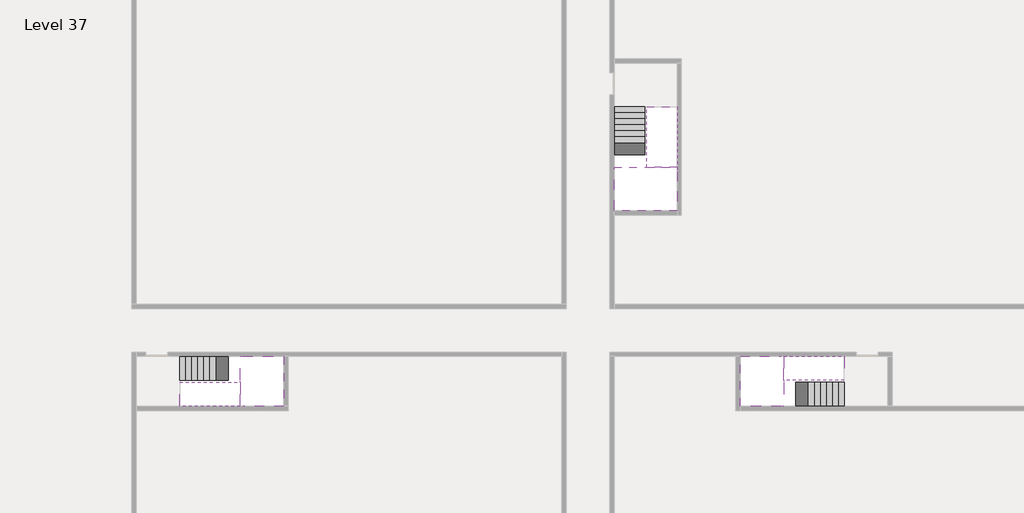
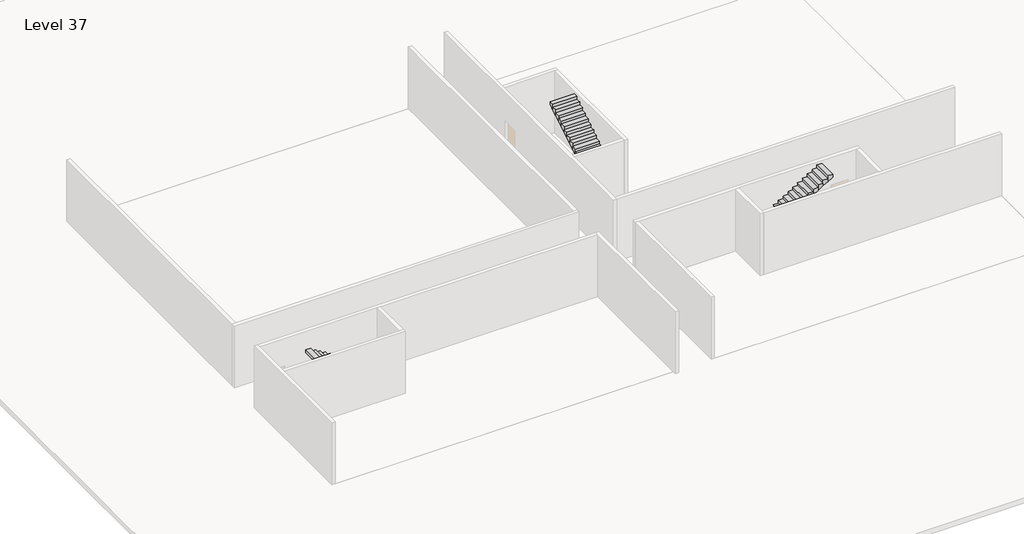
# One storey, part 2 of 2: 6 stair flights, 3 slabs.
"""IFC4 building model written with IfcOpenShell, lengths in millimetres."""

from ifc_helpers import new_model, si_unit, origin, place, context, project, spatial, faceted_brep, element, save

model = new_model("IFC4")

# Units and contexts
model_context = context("Model", 3, world=origin())
ifc_project = project(units=[si_unit("LENGTHUNIT", "METRE", prefix="MILLI")], contexts=[model_context])

# Site, building, storey
site = spatial("IfcSite", under=ifc_project)
building = spatial("IfcBuilding", under=site)
storey = spatial("IfcBuildingStorey", under=building, Name="Level 37", Elevation=136800.0)

# Slabs
placement = place(None, origin())
element("IfcSlab", 1, at=placement, inside=storey, context=model_context, shape_type="Brep", body=[
    faceted_brep([(8190.1058784, -42918.09644, 138700.0), (8190.1058784, -44018.09644, 138700.0), (8190.1058784, -44118.09644, 138700.0), (8190.1058784, -45218.09644, 138700.0), (8390.7194421, -45218.09644, 138700.0), (10190.1058784, -45218.09644, 138700.0), (10190.1058784, -42918.09644, 138700.0), (8269.4923146, -42918.09644, 138700.0), (8190.1058784, -42918.09644, 138527.2727273), (8190.1058784, -42918.09644, 138351.0278478), (8190.1058784, -44018.09644, 138351.0278478), (8190.1058784, -44018.09644, 138400.0), (8190.1058784, -44118.09644, 138400.0), (8190.1058784, -44118.09644, 138523.7551205), (8190.1058784, -45218.09644, 138523.7551205), (8390.7194421, -45218.09644, 138400.0), (10190.1058784, -45218.09644, 138400.0), (10190.1058784, -42918.09644, 138400.0), (8269.4923146, -42918.09644, 138400.0), (8390.7194421, -44118.09644, 138400.0), (8269.4923146, -44018.09644, 138400.0)], [[[0, 1, 2, 3, 4, 5, 6, 7]], [[1, 0, 8, 9, 10, 11]], [[2, 1, 11, 12, 13]], [[3, 2, 13, 14]], [[3, 14, 15, 16, 5, 4]], [[6, 5, 16, 17]], [[9, 8, 0, 7, 6, 17, 18]], [[19, 12, 11, 20, 18, 17, 16, 15]], [[12, 19, 13]], [[18, 20, 10, 9]], [[20, 11, 10]], [[19, 15, 14, 13]]]),
])
element("IfcSlab", 2, at=placement, inside=storey, context=model_context, shape_type="Brep", body=[
    faceted_brep([(33190.1058784, -45218.09644, 138700.0), (33190.1058784, -44118.09644, 138700.0), (33190.1058784, -44018.09644, 138700.0), (33190.1058784, -42918.09644, 138700.0), (32989.4923146, -42918.09644, 138700.0), (31190.1058784, -42918.09644, 138700.0), (31190.1058784, -45218.09644, 138700.0), (33110.7194421, -45218.09644, 138700.0), (33190.1058784, -45218.09644, 138527.2727273), (33190.1058784, -45218.09644, 138351.0278478), (33190.1058784, -44118.09644, 138351.0278478), (33190.1058784, -44118.09644, 138400.0), (33190.1058784, -44018.09644, 138400.0), (33190.1058784, -44018.09644, 138523.7551205), (33190.1058784, -42918.09644, 138523.7551205), (32989.4923146, -42918.09644, 138400.0), (31190.1058784, -42918.09644, 138400.0), (31190.1058784, -45218.09644, 138400.0), (33110.7194421, -45218.09644, 138400.0), (32989.4923146, -44018.09644, 138400.0), (33110.7194421, -44118.09644, 138400.0)], [[[0, 1, 2, 3, 4, 5, 6, 7]], [[1, 0, 8, 9, 10, 11]], [[2, 1, 11, 12, 13]], [[3, 2, 13, 14]], [[3, 14, 15, 16, 5, 4]], [[6, 5, 16, 17]], [[9, 8, 0, 7, 6, 17, 18]], [[19, 12, 11, 20, 18, 17, 16, 15]], [[12, 19, 13]], [[18, 20, 10, 9]], [[20, 11, 10]], [[19, 15, 14, 13]]]),
])
element("IfcSlab", 3, at=placement, inside=storey, context=model_context, shape_type="Brep", body=[
    faceted_brep([(26790.1058784, -34218.09644, 138700.0), (25390.1058784, -34218.09644, 138700.0), (25390.1058784, -34297.4828763, 138700.0), (25390.1058784, -36218.09644, 138700.0), (28290.1058784, -36218.09644, 138700.0), (28290.1058784, -34418.7100038, 138700.0), (28290.1058784, -34218.09644, 138700.0), (26890.1058784, -34218.09644, 138700.0), (26790.1058784, -34218.09644, 138400.0), (26790.1058784, -34218.09644, 138351.0278478), (25390.1058784, -34218.09644, 138351.0278478), (25390.1058784, -34218.09644, 138527.2727273), (25390.1058784, -34297.4828763, 138400.0), (25390.1058784, -36218.09644, 138400.0), (28290.1058784, -36218.09644, 138400.0), (28290.1058784, -34418.7100038, 138400.0), (28290.1058784, -34218.09644, 138523.7551205), (26890.1058784, -34218.09644, 138523.7551205), (26890.1058784, -34218.09644, 138400.0), (26890.1058784, -34418.7100038, 138400.0), (26790.1058784, -34297.4828763, 138400.0)], [[[0, 1, 2, 3, 4, 5, 6, 7]], [[1, 0, 8, 9, 10, 11]], [[1, 11, 10, 12, 13, 3, 2]], [[4, 3, 13, 14]], [[4, 14, 15, 16, 6, 5]], [[7, 6, 16, 17]], [[0, 7, 17, 18, 8]], [[18, 19, 15, 14, 13, 12, 20, 8]], [[19, 18, 17]], [[20, 12, 10, 9]], [[8, 20, 9]], [[15, 19, 17, 16]]]),
])

# Stair flights
element("IfcStairFlight", 4, at=placement, inside=storey, context=model_context, shape_type="Brep", body=[
    faceted_brep([(5670.1058784, -42918.09644, 136972.7272727), (5390.1058784, -42918.09644, 136972.7272727), (5390.1058784, -44018.09644, 136972.7272727), (5670.1058784, -44018.09644, 136972.7272727), (5670.1058784, -42918.09644, 136800.0), (5390.1058784, -42918.09644, 136800.0), (5390.1058784, -44018.09644, 136800.0), (5670.1058784, -44018.09644, 136800.0), (5950.1058784, -42918.09644, 137145.4545455), (5670.1058784, -42918.09644, 137145.4545455), (5670.1058784, -44018.09644, 137145.4545455), (5950.1058784, -44018.09644, 137145.4545455), (5950.1058784, -42918.09644, 136969.209666), (5675.8081041, -42918.09644, 136800.0), (5675.8081041, -44018.09644, 136800.0), (5950.1058784, -44018.09644, 136969.209666), (6230.1058784, -42918.09644, 137318.1818182), (5950.1058784, -42918.09644, 137318.1818182), (5950.1058784, -44018.09644, 137318.1818182), (6230.1058784, -44018.09644, 137318.1818182), (6230.1058784, -42918.09644, 137141.9369387), (6230.1058784, -44018.09644, 137141.9369387), (6510.1058784, -42918.09644, 137490.9090909), (6230.1058784, -42918.09644, 137490.9090909), (6230.1058784, -44018.09644, 137490.9090909), (6510.1058784, -44018.09644, 137490.9090909), (6510.1058784, -42918.09644, 137314.6642114), (6510.1058784, -44018.09644, 137314.6642114), (6790.1058784, -42918.09644, 137663.6363636), (6510.1058784, -42918.09644, 137663.6363636), (6510.1058784, -44018.09644, 137663.6363636), (6790.1058784, -44018.09644, 137663.6363636), (6790.1058784, -42918.09644, 137487.3914841), (6790.1058784, -44018.09644, 137487.3914841), (7070.1058784, -42918.09644, 137836.3636364), (6790.1058784, -42918.09644, 137836.3636364), (6790.1058784, -44018.09644, 137836.3636364), (7070.1058784, -44018.09644, 137836.3636364), (7070.1058784, -42918.09644, 137660.1187569), (7070.1058784, -44018.09644, 137660.1187569), (7350.1058784, -42918.09644, 138009.0909091), (7070.1058784, -42918.09644, 138009.0909091), (7070.1058784, -44018.09644, 138009.0909091), (7350.1058784, -44018.09644, 138009.0909091), (7350.1058784, -42918.09644, 137832.8460296), (7350.1058784, -44018.09644, 137832.8460296), (7630.1058784, -42918.09644, 138181.8181818), (7350.1058784, -42918.09644, 138181.8181818), (7350.1058784, -44018.09644, 138181.8181818), (7630.1058784, -44018.09644, 138181.8181818), (7630.1058784, -42918.09644, 138005.5733023), (7630.1058784, -44018.09644, 138005.5733023), (7910.1058784, -42918.09644, 138354.5454545), (7630.1058784, -42918.09644, 138354.5454545), (7630.1058784, -44018.09644, 138354.5454545), (7910.1058784, -44018.09644, 138354.5454545), (7910.1058784, -42918.09644, 138178.3005751), (7910.1058784, -44018.09644, 138178.3005751), (8190.1058784, -42918.09644, 138527.2727273), (7910.1058784, -42918.09644, 138527.2727273), (7910.1058784, -44018.09644, 138527.2727273), (8190.1058784, -44018.09644, 138527.2727273), (8190.1058784, -42918.09644, 138351.0278478), (8190.1058784, -44018.09644, 138351.0278478), (8190.1058784, -44018.09644, 138400.0)], [[[0, 1, 2, 3]], [[1, 0, 4, 5]], [[2, 1, 5, 6]], [[3, 2, 6, 7]], [[8, 9, 10, 11]], [[4, 0, 9, 8, 12, 13]], [[0, 3, 10, 9]], [[3, 7, 14, 15, 11, 10]], [[16, 17, 18, 19]], [[17, 16, 20, 12, 8]], [[8, 11, 18, 17]], [[19, 18, 11, 15, 21]], [[22, 23, 24, 25]], [[23, 22, 26, 20, 16]], [[16, 19, 24, 23]], [[25, 24, 19, 21, 27]], [[28, 29, 30, 31]], [[29, 28, 32, 26, 22]], [[22, 25, 30, 29]], [[31, 30, 25, 27, 33]], [[34, 35, 36, 37]], [[35, 34, 38, 32, 28]], [[28, 31, 36, 35]], [[37, 36, 31, 33, 39]], [[40, 41, 42, 43]], [[41, 40, 44, 38, 34]], [[34, 37, 42, 41]], [[43, 42, 37, 39, 45]], [[46, 47, 48, 49]], [[47, 46, 50, 44, 40]], [[40, 43, 48, 47]], [[49, 48, 43, 45, 51]], [[52, 53, 54, 55]], [[53, 52, 56, 50, 46]], [[46, 49, 54, 53]], [[55, 54, 49, 51, 57]], [[58, 59, 60, 61]], [[59, 58, 62, 56, 52]], [[52, 55, 60, 59]], [[61, 60, 55, 57, 63, 64]], [[58, 61, 64, 63, 62]], [[5, 4, 13, 14, 7, 6]], [[14, 13, 12, 20, 26, 32, 38, 44, 50, 56, 62, 63, 57, 51, 45, 39, 33, 27, 21, 15]]]),
])
element("IfcStairFlight", 5, at=placement, inside=storey, context=model_context, shape_type="Brep", body=[
    faceted_brep([(7910.1058784, -45218.09644, 138872.7272727), (8190.1058784, -45218.09644, 138872.7272727), (8190.1058784, -44118.09644, 138872.7272727), (7910.1058784, -44118.09644, 138872.7272727), (7910.1058784, -45218.09644, 138696.4823932), (8190.1058784, -45218.09644, 138523.7551205), (8190.1058784, -45218.09644, 138700.0), (8190.1058784, -44118.09644, 138523.7551205), (7910.1058784, -44118.09644, 138696.4823932), (7630.1058784, -45218.09644, 139045.4545455), (7910.1058784, -45218.09644, 139045.4545455), (7910.1058784, -44118.09644, 139045.4545455), (7630.1058784, -44118.09644, 139045.4545455), (7630.1058784, -45218.09644, 138869.209666), (7630.1058784, -44118.09644, 138869.209666), (7350.1058784, -45218.09644, 139218.1818182), (7630.1058784, -45218.09644, 139218.1818182), (7630.1058784, -44118.09644, 139218.1818182), (7350.1058784, -44118.09644, 139218.1818182), (7350.1058784, -45218.09644, 139041.9369387), (7350.1058784, -44118.09644, 139041.9369387), (7070.1058784, -45218.09644, 139390.9090909), (7350.1058784, -45218.09644, 139390.9090909), (7350.1058784, -44118.09644, 139390.9090909), (7070.1058784, -44118.09644, 139390.9090909), (7070.1058784, -45218.09644, 139214.6642114), (7070.1058784, -44118.09644, 139214.6642114), (6790.1058784, -45218.09644, 139563.6363636), (7070.1058784, -45218.09644, 139563.6363636), (7070.1058784, -44118.09644, 139563.6363636), (6790.1058784, -44118.09644, 139563.6363636), (6790.1058784, -45218.09644, 139387.3914841), (6790.1058784, -44118.09644, 139387.3914841), (6510.1058784, -45218.09644, 139736.3636364), (6790.1058784, -45218.09644, 139736.3636364), (6790.1058784, -44118.09644, 139736.3636364), (6510.1058784, -44118.09644, 139736.3636364), (6510.1058784, -45218.09644, 139560.1187569), (6510.1058784, -44118.09644, 139560.1187569), (6230.1058784, -45218.09644, 139909.0909091), (6510.1058784, -45218.09644, 139909.0909091), (6510.1058784, -44118.09644, 139909.0909091), (6230.1058784, -44118.09644, 139909.0909091), (6230.1058784, -45218.09644, 139732.8460296), (6230.1058784, -44118.09644, 139732.8460296), (5950.1058784, -45218.09644, 140081.8181818), (6230.1058784, -45218.09644, 140081.8181818), (6230.1058784, -44118.09644, 140081.8181818), (5950.1058784, -44118.09644, 140081.8181818), (5950.1058784, -45218.09644, 139905.5733023), (5950.1058784, -44118.09644, 139905.5733023), (5670.1058784, -45218.09644, 140254.5454545), (5950.1058784, -45218.09644, 140254.5454545), (5950.1058784, -44118.09644, 140254.5454545), (5670.1058784, -44118.09644, 140254.5454545), (5670.1058784, -45218.09644, 140078.3005751), (5670.1058784, -44118.09644, 140078.3005751), (5390.1058784, -45218.09644, 140427.2727273), (5670.1058784, -45218.09644, 140427.2727273), (5670.1058784, -44118.09644, 140427.2727273), (5390.1058784, -44118.09644, 140427.2727273), (5390.1058784, -45218.09644, 140251.0278478), (5390.1058784, -44118.09644, 140251.0278478)], [[[0, 1, 2, 3]], [[1, 0, 4, 5, 6]], [[2, 1, 6, 5, 7]], [[3, 2, 7, 8]], [[9, 10, 11, 12]], [[10, 9, 13, 4, 0]], [[11, 10, 0, 3]], [[12, 11, 3, 8, 14]], [[15, 16, 17, 18]], [[16, 15, 19, 13, 9]], [[17, 16, 9, 12]], [[18, 17, 12, 14, 20]], [[21, 22, 23, 24]], [[22, 21, 25, 19, 15]], [[23, 22, 15, 18]], [[24, 23, 18, 20, 26]], [[27, 28, 29, 30]], [[28, 27, 31, 25, 21]], [[29, 28, 21, 24]], [[30, 29, 24, 26, 32]], [[33, 34, 35, 36]], [[34, 33, 37, 31, 27]], [[35, 34, 27, 30]], [[36, 35, 30, 32, 38]], [[39, 40, 41, 42]], [[40, 39, 43, 37, 33]], [[41, 40, 33, 36]], [[42, 41, 36, 38, 44]], [[45, 46, 47, 48]], [[46, 45, 49, 43, 39]], [[47, 46, 39, 42]], [[48, 47, 42, 44, 50]], [[51, 52, 53, 54]], [[52, 51, 55, 49, 45]], [[53, 52, 45, 48]], [[54, 53, 48, 50, 56]], [[57, 58, 59, 60]], [[58, 57, 61, 55, 51]], [[59, 58, 51, 54]], [[60, 59, 54, 56, 62]], [[57, 60, 62, 61]], [[5, 4, 13, 19, 25, 31, 37, 43, 49, 55, 61, 62, 56, 50, 44, 38, 32, 26, 20, 14, 8, 7]]]),
])
element("IfcStairFlight", 6, at=placement, inside=storey, context=model_context, shape_type="Brep", body=[
    faceted_brep([(35710.1058784, -45218.09644, 136972.7272727), (35990.1058784, -45218.09644, 136972.7272727), (35990.1058784, -44118.09644, 136972.7272727), (35710.1058784, -44118.09644, 136972.7272727), (35710.1058784, -45218.09644, 136800.0), (35990.1058784, -45218.09644, 136800.0), (35990.1058784, -44118.09644, 136800.0), (35710.1058784, -44118.09644, 136800.0), (35430.1058784, -45218.09644, 137145.4545455), (35710.1058784, -45218.09644, 137145.4545455), (35710.1058784, -44118.09644, 137145.4545455), (35430.1058784, -44118.09644, 137145.4545455), (35430.1058784, -45218.09644, 136969.209666), (35704.4036527, -45218.09644, 136800.0), (35704.4036527, -44118.09644, 136800.0), (35430.1058784, -44118.09644, 136969.209666), (35150.1058784, -45218.09644, 137318.1818182), (35430.1058784, -45218.09644, 137318.1818182), (35430.1058784, -44118.09644, 137318.1818182), (35150.1058784, -44118.09644, 137318.1818182), (35150.1058784, -45218.09644, 137141.9369387), (35150.1058784, -44118.09644, 137141.9369387), (34870.1058784, -45218.09644, 137490.9090909), (35150.1058784, -45218.09644, 137490.9090909), (35150.1058784, -44118.09644, 137490.9090909), (34870.1058784, -44118.09644, 137490.9090909), (34870.1058784, -45218.09644, 137314.6642114), (34870.1058784, -44118.09644, 137314.6642114), (34590.1058784, -45218.09644, 137663.6363636), (34870.1058784, -45218.09644, 137663.6363636), (34870.1058784, -44118.09644, 137663.6363636), (34590.1058784, -44118.09644, 137663.6363636), (34590.1058784, -45218.09644, 137487.3914841), (34590.1058784, -44118.09644, 137487.3914841), (34310.1058784, -45218.09644, 137836.3636364), (34590.1058784, -45218.09644, 137836.3636364), (34590.1058784, -44118.09644, 137836.3636364), (34310.1058784, -44118.09644, 137836.3636364), (34310.1058784, -45218.09644, 137660.1187569), (34310.1058784, -44118.09644, 137660.1187569), (34030.1058784, -45218.09644, 138009.0909091), (34310.1058784, -45218.09644, 138009.0909091), (34310.1058784, -44118.09644, 138009.0909091), (34030.1058784, -44118.09644, 138009.0909091), (34030.1058784, -45218.09644, 137832.8460296), (34030.1058784, -44118.09644, 137832.8460296), (33750.1058784, -45218.09644, 138181.8181818), (34030.1058784, -45218.09644, 138181.8181818), (34030.1058784, -44118.09644, 138181.8181818), (33750.1058784, -44118.09644, 138181.8181818), (33750.1058784, -45218.09644, 138005.5733023), (33750.1058784, -44118.09644, 138005.5733023), (33470.1058784, -45218.09644, 138354.5454545), (33750.1058784, -45218.09644, 138354.5454545), (33750.1058784, -44118.09644, 138354.5454545), (33470.1058784, -44118.09644, 138354.5454545), (33470.1058784, -45218.09644, 138178.3005751), (33470.1058784, -44118.09644, 138178.3005751), (33190.1058784, -45218.09644, 138527.2727273), (33470.1058784, -45218.09644, 138527.2727273), (33470.1058784, -44118.09644, 138527.2727273), (33190.1058784, -44118.09644, 138527.2727273), (33190.1058784, -45218.09644, 138351.0278478), (33190.1058784, -44118.09644, 138351.0278478), (33190.1058784, -44118.09644, 138400.0)], [[[0, 1, 2, 3]], [[1, 0, 4, 5]], [[2, 1, 5, 6]], [[3, 2, 6, 7]], [[8, 9, 10, 11]], [[4, 0, 9, 8, 12, 13]], [[0, 3, 10, 9]], [[3, 7, 14, 15, 11, 10]], [[16, 17, 18, 19]], [[17, 16, 20, 12, 8]], [[8, 11, 18, 17]], [[19, 18, 11, 15, 21]], [[22, 23, 24, 25]], [[23, 22, 26, 20, 16]], [[16, 19, 24, 23]], [[25, 24, 19, 21, 27]], [[28, 29, 30, 31]], [[29, 28, 32, 26, 22]], [[22, 25, 30, 29]], [[31, 30, 25, 27, 33]], [[34, 35, 36, 37]], [[35, 34, 38, 32, 28]], [[28, 31, 36, 35]], [[37, 36, 31, 33, 39]], [[40, 41, 42, 43]], [[41, 40, 44, 38, 34]], [[34, 37, 42, 41]], [[43, 42, 37, 39, 45]], [[46, 47, 48, 49]], [[47, 46, 50, 44, 40]], [[40, 43, 48, 47]], [[49, 48, 43, 45, 51]], [[52, 53, 54, 55]], [[53, 52, 56, 50, 46]], [[46, 49, 54, 53]], [[55, 54, 49, 51, 57]], [[58, 59, 60, 61]], [[59, 58, 62, 56, 52]], [[52, 55, 60, 59]], [[61, 60, 55, 57, 63, 64]], [[58, 61, 64, 63, 62]], [[5, 4, 13, 14, 7, 6]], [[14, 13, 12, 20, 26, 32, 38, 44, 50, 56, 62, 63, 57, 51, 45, 39, 33, 27, 21, 15]]]),
])
element("IfcStairFlight", 7, at=placement, inside=storey, context=model_context, shape_type="Brep", body=[
    faceted_brep([(33470.1058784, -42918.09644, 138872.7272727), (33190.1058784, -42918.09644, 138872.7272727), (33190.1058784, -44018.09644, 138872.7272727), (33470.1058784, -44018.09644, 138872.7272727), (33470.1058784, -42918.09644, 138696.4823932), (33190.1058784, -42918.09644, 138523.7551205), (33190.1058784, -42918.09644, 138700.0), (33190.1058784, -44018.09644, 138523.7551205), (33470.1058784, -44018.09644, 138696.4823932), (33750.1058784, -42918.09644, 139045.4545455), (33470.1058784, -42918.09644, 139045.4545455), (33470.1058784, -44018.09644, 139045.4545455), (33750.1058784, -44018.09644, 139045.4545455), (33750.1058784, -42918.09644, 138869.209666), (33750.1058784, -44018.09644, 138869.209666), (34030.1058784, -42918.09644, 139218.1818182), (33750.1058784, -42918.09644, 139218.1818182), (33750.1058784, -44018.09644, 139218.1818182), (34030.1058784, -44018.09644, 139218.1818182), (34030.1058784, -42918.09644, 139041.9369387), (34030.1058784, -44018.09644, 139041.9369387), (34310.1058784, -42918.09644, 139390.9090909), (34030.1058784, -42918.09644, 139390.9090909), (34030.1058784, -44018.09644, 139390.9090909), (34310.1058784, -44018.09644, 139390.9090909), (34310.1058784, -42918.09644, 139214.6642114), (34310.1058784, -44018.09644, 139214.6642114), (34590.1058784, -42918.09644, 139563.6363636), (34310.1058784, -42918.09644, 139563.6363636), (34310.1058784, -44018.09644, 139563.6363636), (34590.1058784, -44018.09644, 139563.6363636), (34590.1058784, -42918.09644, 139387.3914841), (34590.1058784, -44018.09644, 139387.3914841), (34870.1058784, -42918.09644, 139736.3636364), (34590.1058784, -42918.09644, 139736.3636364), (34590.1058784, -44018.09644, 139736.3636364), (34870.1058784, -44018.09644, 139736.3636364), (34870.1058784, -42918.09644, 139560.1187569), (34870.1058784, -44018.09644, 139560.1187569), (35150.1058784, -42918.09644, 139909.0909091), (34870.1058784, -42918.09644, 139909.0909091), (34870.1058784, -44018.09644, 139909.0909091), (35150.1058784, -44018.09644, 139909.0909091), (35150.1058784, -42918.09644, 139732.8460296), (35150.1058784, -44018.09644, 139732.8460296), (35430.1058784, -42918.09644, 140081.8181818), (35150.1058784, -42918.09644, 140081.8181818), (35150.1058784, -44018.09644, 140081.8181818), (35430.1058784, -44018.09644, 140081.8181818), (35430.1058784, -42918.09644, 139905.5733023), (35430.1058784, -44018.09644, 139905.5733023), (35710.1058784, -42918.09644, 140254.5454545), (35430.1058784, -42918.09644, 140254.5454545), (35430.1058784, -44018.09644, 140254.5454545), (35710.1058784, -44018.09644, 140254.5454545), (35710.1058784, -42918.09644, 140078.3005751), (35710.1058784, -44018.09644, 140078.3005751), (35990.1058784, -42918.09644, 140427.2727273), (35710.1058784, -42918.09644, 140427.2727273), (35710.1058784, -44018.09644, 140427.2727273), (35990.1058784, -44018.09644, 140427.2727273), (35990.1058784, -42918.09644, 140251.0278478), (35990.1058784, -44018.09644, 140251.0278478)], [[[0, 1, 2, 3]], [[1, 0, 4, 5, 6]], [[2, 1, 6, 5, 7]], [[3, 2, 7, 8]], [[9, 10, 11, 12]], [[10, 9, 13, 4, 0]], [[11, 10, 0, 3]], [[12, 11, 3, 8, 14]], [[15, 16, 17, 18]], [[16, 15, 19, 13, 9]], [[17, 16, 9, 12]], [[18, 17, 12, 14, 20]], [[21, 22, 23, 24]], [[22, 21, 25, 19, 15]], [[23, 22, 15, 18]], [[24, 23, 18, 20, 26]], [[27, 28, 29, 30]], [[28, 27, 31, 25, 21]], [[29, 28, 21, 24]], [[30, 29, 24, 26, 32]], [[33, 34, 35, 36]], [[34, 33, 37, 31, 27]], [[35, 34, 27, 30]], [[36, 35, 30, 32, 38]], [[39, 40, 41, 42]], [[40, 39, 43, 37, 33]], [[41, 40, 33, 36]], [[42, 41, 36, 38, 44]], [[45, 46, 47, 48]], [[46, 45, 49, 43, 39]], [[47, 46, 39, 42]], [[48, 47, 42, 44, 50]], [[51, 52, 53, 54]], [[52, 51, 55, 49, 45]], [[53, 52, 45, 48]], [[54, 53, 48, 50, 56]], [[57, 58, 59, 60]], [[58, 57, 61, 55, 51]], [[59, 58, 51, 54]], [[60, 59, 54, 56, 62]], [[57, 60, 62, 61]], [[5, 4, 13, 19, 25, 31, 37, 43, 49, 55, 61, 62, 56, 50, 44, 38, 32, 26, 20, 14, 8, 7]]]),
])
element("IfcStairFlight", 8, at=placement, inside=storey, context=model_context, shape_type="Brep", body=[
    faceted_brep([(26790.1058784, -31698.09644, 136972.7272727), (26790.1058784, -31418.09644, 136972.7272727), (25390.1058784, -31418.09644, 136972.7272727), (25390.1058784, -31698.09644, 136972.7272727), (26790.1058784, -31698.09644, 136800.0), (26790.1058784, -31418.09644, 136800.0), (25390.1058784, -31418.09644, 136800.0), (25390.1058784, -31698.09644, 136800.0), (26790.1058784, -31978.09644, 137145.4545455), (26790.1058784, -31698.09644, 137145.4545455), (25390.1058784, -31698.09644, 137145.4545455), (25390.1058784, -31978.09644, 137145.4545455), (26790.1058784, -31978.09644, 136969.209666), (26790.1058784, -31703.7986657, 136800.0), (25390.1058784, -31703.7986657, 136800.0), (25390.1058784, -31978.09644, 136969.209666), (26790.1058784, -32258.09644, 137318.1818182), (26790.1058784, -31978.09644, 137318.1818182), (25390.1058784, -31978.09644, 137318.1818182), (25390.1058784, -32258.09644, 137318.1818182), (26790.1058784, -32258.09644, 137141.9369387), (25390.1058784, -32258.09644, 137141.9369387), (26790.1058784, -32538.09644, 137490.9090909), (26790.1058784, -32258.09644, 137490.9090909), (25390.1058784, -32258.09644, 137490.9090909), (25390.1058784, -32538.09644, 137490.9090909), (26790.1058784, -32538.09644, 137314.6642114), (25390.1058784, -32538.09644, 137314.6642114), (26790.1058784, -32818.09644, 137663.6363636), (26790.1058784, -32538.09644, 137663.6363636), (25390.1058784, -32538.09644, 137663.6363636), (25390.1058784, -32818.09644, 137663.6363636), (26790.1058784, -32818.09644, 137487.3914841), (25390.1058784, -32818.09644, 137487.3914841), (26790.1058784, -33098.09644, 137836.3636364), (26790.1058784, -32818.09644, 137836.3636364), (25390.1058784, -32818.09644, 137836.3636364), (25390.1058784, -33098.09644, 137836.3636364), (26790.1058784, -33098.09644, 137660.1187569), (25390.1058784, -33098.09644, 137660.1187569), (26790.1058784, -33378.09644, 138009.0909091), (26790.1058784, -33098.09644, 138009.0909091), (25390.1058784, -33098.09644, 138009.0909091), (25390.1058784, -33378.09644, 138009.0909091), (26790.1058784, -33378.09644, 137832.8460296), (25390.1058784, -33378.09644, 137832.8460296), (26790.1058784, -33658.09644, 138181.8181818), (26790.1058784, -33378.09644, 138181.8181818), (25390.1058784, -33378.09644, 138181.8181818), (25390.1058784, -33658.09644, 138181.8181818), (26790.1058784, -33658.09644, 138005.5733023), (25390.1058784, -33658.09644, 138005.5733023), (26790.1058784, -33938.09644, 138354.5454545), (26790.1058784, -33658.09644, 138354.5454545), (25390.1058784, -33658.09644, 138354.5454545), (25390.1058784, -33938.09644, 138354.5454545), (26790.1058784, -33938.09644, 138178.3005751), (25390.1058784, -33938.09644, 138178.3005751), (26790.1058784, -34218.09644, 138527.2727273), (26790.1058784, -33938.09644, 138527.2727273), (25390.1058784, -33938.09644, 138527.2727273), (25390.1058784, -34218.09644, 138527.2727273), (26790.1058784, -34218.09644, 138400.0), (26790.1058784, -34218.09644, 138351.0278478), (25390.1058784, -34218.09644, 138351.0278478)], [[[0, 1, 2, 3]], [[1, 0, 4, 5]], [[2, 1, 5, 6]], [[3, 2, 6, 7]], [[8, 9, 10, 11]], [[4, 0, 9, 8, 12, 13]], [[0, 3, 10, 9]], [[3, 7, 14, 15, 11, 10]], [[16, 17, 18, 19]], [[17, 16, 20, 12, 8]], [[8, 11, 18, 17]], [[19, 18, 11, 15, 21]], [[22, 23, 24, 25]], [[23, 22, 26, 20, 16]], [[16, 19, 24, 23]], [[25, 24, 19, 21, 27]], [[28, 29, 30, 31]], [[29, 28, 32, 26, 22]], [[22, 25, 30, 29]], [[31, 30, 25, 27, 33]], [[34, 35, 36, 37]], [[35, 34, 38, 32, 28]], [[28, 31, 36, 35]], [[37, 36, 31, 33, 39]], [[40, 41, 42, 43]], [[41, 40, 44, 38, 34]], [[34, 37, 42, 41]], [[43, 42, 37, 39, 45]], [[46, 47, 48, 49]], [[47, 46, 50, 44, 40]], [[40, 43, 48, 47]], [[49, 48, 43, 45, 51]], [[52, 53, 54, 55]], [[53, 52, 56, 50, 46]], [[46, 49, 54, 53]], [[55, 54, 49, 51, 57]], [[58, 59, 60, 61]], [[59, 58, 62, 63, 56, 52]], [[52, 55, 60, 59]], [[61, 60, 55, 57, 64]], [[58, 61, 64, 63, 62]], [[5, 4, 13, 14, 7, 6]], [[14, 13, 12, 20, 26, 32, 38, 44, 50, 56, 63, 64, 57, 51, 45, 39, 33, 27, 21, 15]]]),
])
element("IfcStairFlight", 9, at=placement, inside=storey, context=model_context, shape_type="Brep", body=[
    faceted_brep([(26890.1058784, -33938.09644, 138872.7272727), (26890.1058784, -34218.09644, 138872.7272727), (28290.1058784, -34218.09644, 138872.7272727), (28290.1058784, -33938.09644, 138872.7272727), (26890.1058784, -33938.09644, 138696.4823932), (26890.1058784, -34218.09644, 138523.7551205), (28290.1058784, -34218.09644, 138523.7551205), (28290.1058784, -34218.09644, 138700.0), (28290.1058784, -33938.09644, 138696.4823932), (26890.1058784, -33658.09644, 139045.4545455), (26890.1058784, -33938.09644, 139045.4545455), (28290.1058784, -33938.09644, 139045.4545455), (28290.1058784, -33658.09644, 139045.4545455), (26890.1058784, -33658.09644, 138869.209666), (28290.1058784, -33658.09644, 138869.209666), (26890.1058784, -33378.09644, 139218.1818182), (26890.1058784, -33658.09644, 139218.1818182), (28290.1058784, -33658.09644, 139218.1818182), (28290.1058784, -33378.09644, 139218.1818182), (26890.1058784, -33378.09644, 139041.9369387), (28290.1058784, -33378.09644, 139041.9369387), (26890.1058784, -33098.09644, 139390.9090909), (26890.1058784, -33378.09644, 139390.9090909), (28290.1058784, -33378.09644, 139390.9090909), (28290.1058784, -33098.09644, 139390.9090909), (26890.1058784, -33098.09644, 139214.6642114), (28290.1058784, -33098.09644, 139214.6642114), (26890.1058784, -32818.09644, 139563.6363636), (26890.1058784, -33098.09644, 139563.6363636), (28290.1058784, -33098.09644, 139563.6363636), (28290.1058784, -32818.09644, 139563.6363636), (26890.1058784, -32818.09644, 139387.3914841), (28290.1058784, -32818.09644, 139387.3914841), (26890.1058784, -32538.09644, 139736.3636364), (26890.1058784, -32818.09644, 139736.3636364), (28290.1058784, -32818.09644, 139736.3636364), (28290.1058784, -32538.09644, 139736.3636364), (26890.1058784, -32538.09644, 139560.1187569), (28290.1058784, -32538.09644, 139560.1187569), (26890.1058784, -32258.09644, 139909.0909091), (26890.1058784, -32538.09644, 139909.0909091), (28290.1058784, -32538.09644, 139909.0909091), (28290.1058784, -32258.09644, 139909.0909091), (26890.1058784, -32258.09644, 139732.8460296), (28290.1058784, -32258.09644, 139732.8460296), (26890.1058784, -31978.09644, 140081.8181818), (26890.1058784, -32258.09644, 140081.8181818), (28290.1058784, -32258.09644, 140081.8181818), (28290.1058784, -31978.09644, 140081.8181818), (26890.1058784, -31978.09644, 139905.5733023), (28290.1058784, -31978.09644, 139905.5733023), (26890.1058784, -31698.09644, 140254.5454545), (26890.1058784, -31978.09644, 140254.5454545), (28290.1058784, -31978.09644, 140254.5454545), (28290.1058784, -31698.09644, 140254.5454545), (26890.1058784, -31698.09644, 140078.3005751), (28290.1058784, -31698.09644, 140078.3005751), (26890.1058784, -31418.09644, 140427.2727273), (26890.1058784, -31698.09644, 140427.2727273), (28290.1058784, -31698.09644, 140427.2727273), (28290.1058784, -31418.09644, 140427.2727273), (26890.1058784, -31418.09644, 140251.0278478), (28290.1058784, -31418.09644, 140251.0278478)], [[[0, 1, 2, 3]], [[1, 0, 4, 5]], [[2, 1, 5, 6, 7]], [[3, 2, 7, 6, 8]], [[9, 10, 11, 12]], [[10, 9, 13, 4, 0]], [[11, 10, 0, 3]], [[12, 11, 3, 8, 14]], [[15, 16, 17, 18]], [[16, 15, 19, 13, 9]], [[17, 16, 9, 12]], [[18, 17, 12, 14, 20]], [[21, 22, 23, 24]], [[22, 21, 25, 19, 15]], [[23, 22, 15, 18]], [[24, 23, 18, 20, 26]], [[27, 28, 29, 30]], [[28, 27, 31, 25, 21]], [[29, 28, 21, 24]], [[30, 29, 24, 26, 32]], [[33, 34, 35, 36]], [[34, 33, 37, 31, 27]], [[35, 34, 27, 30]], [[36, 35, 30, 32, 38]], [[39, 40, 41, 42]], [[40, 39, 43, 37, 33]], [[41, 40, 33, 36]], [[42, 41, 36, 38, 44]], [[45, 46, 47, 48]], [[46, 45, 49, 43, 39]], [[47, 46, 39, 42]], [[48, 47, 42, 44, 50]], [[51, 52, 53, 54]], [[52, 51, 55, 49, 45]], [[53, 52, 45, 48]], [[54, 53, 48, 50, 56]], [[57, 58, 59, 60]], [[58, 57, 61, 55, 51]], [[59, 58, 51, 54]], [[60, 59, 54, 56, 62]], [[57, 60, 62, 61]], [[5, 4, 13, 19, 25, 31, 37, 43, 49, 55, 61, 62, 56, 50, 44, 38, 32, 26, 20, 14, 8, 6]]]),
])

save(model, "model.ifc")
